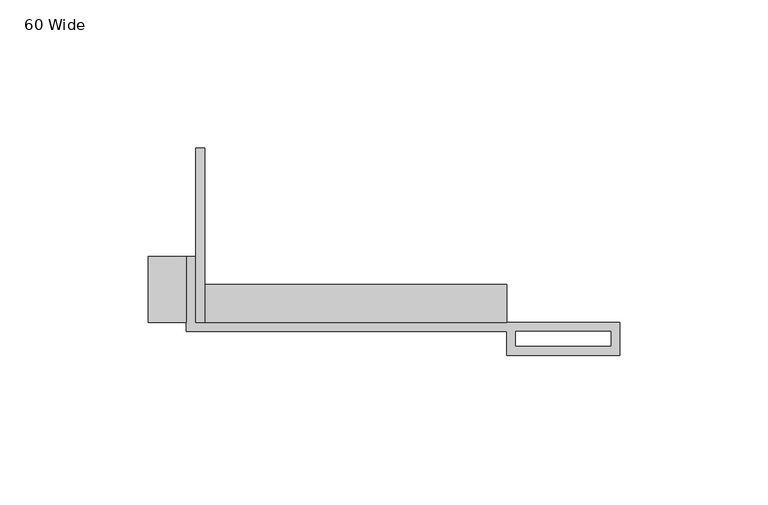
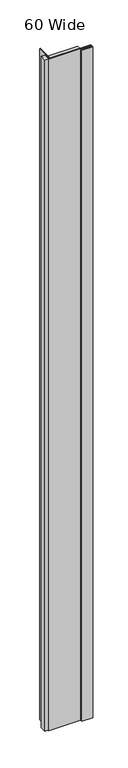
"""IFC4 building model written with IfcOpenShell, lengths in millimetres: proxy geometry, 60 Wide."""

from ifc_helpers import new_model, si_unit, origin, origin_with_axes, place, context, project, spatial, polyline, outline, extrude, source, transform, mapped, element, save


def proxy_60_wide_1cba5478(model_context):
    return source(origin(), model_context, "Body", "SweptSolid", [
        extrude(outline(polyline([(-101.6, 0.0), (-104.775, 0.0), (-104.775, 58.6652265), (-101.6, 58.6652265), (-101.6, 0.0)])), origin_with_axes(), (0.0, 0.0, 1.0), 2438.4),
        extrude(outline(polyline([(-107.95, 0.0), (-120.65, 0.0), (-120.65, 22.225), (-107.95, 22.225), (-107.95, 0.0)])), origin_with_axes(), (0.0, 0.0, 1.0), 2438.4),
        extrude(outline(polyline([(0.0, 0.0), (-104.775, 0.0), (-104.775, 12.7), (0.0, 12.7), (0.0, 0.0)])), origin_with_axes(), (0.0, 0.0, 1.0), 2438.4),
        extrude(outline(polyline([(-107.95, 22.225), (-104.775, 22.225), (-104.775, 0.0), (38.1, 0.0), (38.1, -11.1125), (0.0, -11.1125), (0.0, -3.175), (-107.95, -3.175), (-107.95, 22.225)]), holes=[polyline([(3.175, -3.175), (3.175, -7.9375), (35.1499571, -7.9375), (35.1499571, -3.175), (3.175, -3.175)])]), origin_with_axes(), (0.0, 0.0, 1.0), 2438.4),
    ])


if __name__ == "__main__":
    model = new_model("IFC4")
    model_context = context("Model", 3, world=origin())
    ifc_project = project(units=[si_unit("LENGTHUNIT", "METRE", prefix="MILLI")], contexts=[model_context])
    site = spatial("IfcSite", under=ifc_project)
    building = spatial("IfcBuilding", under=site)
    placement = place(None, origin())
    proxy_60_wide_shape = proxy_60_wide_1cba5478(model_context)
    element("IfcBuildingElementProxy", 1, Name="60 Wide", ObjectType="60 Wide", at=placement, inside=building, context=model_context, shape_type="MappedRepresentation", body=[
        mapped(proxy_60_wide_shape, transform((0.0, 0.0, 0.0), x_axis=(1.0, 0.0, 0.0), y_axis=(0.0, 1.0, 0.0), z_axis=(0.0, 0.0, 1.0))),
    ])
    save(model, "model.ifc")
